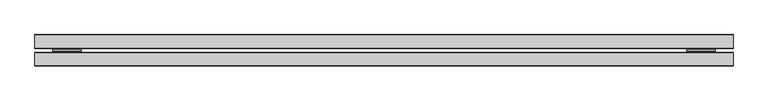
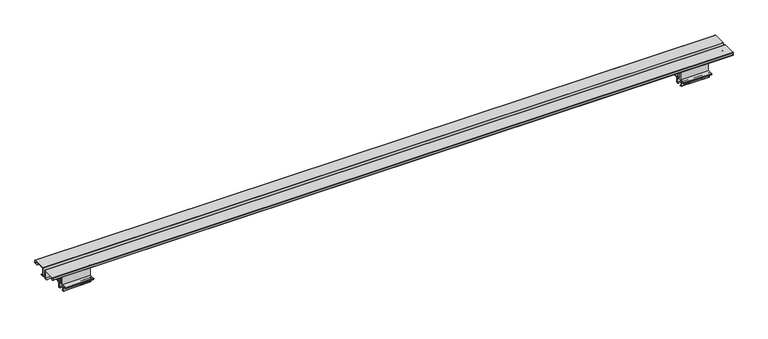
"""IFC4 building model written with IfcOpenShell, lengths in millimetres: furniture geometry."""

from ifc_helpers import new_model, si_unit, point, frame, frame_2d, origin, place, context, project, spatial, polyline, circle_curve, trimmed, segment, composite_curve, outline, extrude, source, transform, mapped, element, save
from ifc_brep_helpers import plane_surface, cylinder_surface, revolved_surface, advanced_brep


def furniture_3d7758b2(model_context):
    return source(origin(), model_context, "Body", "SolidModel", [
        extrude(outline(composite_curve([segment(polyline([(-46.1411741, 537.6671989), (-52.5216442, 537.6671989), (-52.5216442, 538.4545989), (-46.1411741, 538.4545989)]), True, "CONTINUOUS"), segment(trimmed(circle_curve(frame_2d((-46.1411741, 536.8086715)), 1.6459275), [point((-46.1411741, 538.4545989))], [point((-44.4952466, 536.8086715))], False, "CARTESIAN"), True, "CONTINUOUS"), segment(polyline([(-44.4952466, 536.8086715), (-44.4952466, 532.5826187), (-42.3108667, 527.8581667), (-42.3108667, 511.7084001), (-35.9226813, 511.7084001), (-35.9226813, 527.8581667), (-33.7383014, 532.5826187), (-33.7383014, 536.8086715)]), True, "CONTINUOUS"), segment(trimmed(circle_curve(frame_2d((-32.0923739, 536.8086715)), 1.6459275), [point((-33.7383014, 536.8086715))], [point((-32.0923739, 538.4545989))], False, "CARTESIAN"), True, "CONTINUOUS"), segment(polyline([(-32.0923739, 538.4545989), (-25.7119037, 538.4545989), (-25.7119037, 537.6671989), (-32.0923739, 537.6671989)]), True, "CONTINUOUS"), segment(trimmed(circle_curve(frame_2d((-32.0923739, 536.8086715)), 0.8585275), [point((-32.0923739, 537.6671989))], [point((-32.9509014, 536.8086715))], True, "CARTESIAN"), True, "CONTINUOUS"), segment(polyline([(-32.9509014, 536.8086715), (-32.9509014, 510.6923965), (-45.2826466, 510.6923965), (-45.2826466, 536.8086715)]), True, "CONTINUOUS"), segment(trimmed(circle_curve(frame_2d((-46.1411741, 536.8086715)), 0.8585275), [point((-45.2826466, 536.8086715))], [point((-46.1411741, 537.6671989))], True, "CARTESIAN"), True, "CONTINUOUS")], self_intersect=False)), frame((1565.1479964, 0.0, 0.0), z_axis=(1.0, 0.0, 0.0), x_axis=(0.0, 1.0, 0.0)), (0.0, 0.0, 1.0), 68.5800073),
        advanced_brep(
        [(1633.7280036, -43.8856479, 495.604798), (1633.7280036, -43.8856479, 496.392198), (1633.7280036, -47.4162484, 496.392198), (1633.7280036, -47.4162484, 504.3861433), (1633.7280036, -48.2566383, 505.8417378), (1633.7280036, -49.1307467, 506.3464021), (1633.7280036, -49.1307467, 508.3322048), (1633.7280036, -50.5257409, 509.7271989), (1633.7280036, -56.9931108, 509.7271989), (1633.7280036, -57.8998062, 508.9108068), (1633.7280036, -58.5922468, 509.8997145), (1633.7280036, -58.5922468, 510.6923965), (1633.7280036, -19.6540457, 510.6923965), (1633.7280036, -19.6540457, 509.8815135), (1633.7280036, -20.3337418, 508.9108068), (1633.7280036, -21.2404371, 509.7271989), (1633.7280036, -27.8273525, 509.7271989), (1633.7280036, -29.1155469, 508.4390045), (1633.7280036, -29.1155469, 506.3464021), (1633.7280036, -30.0322406, 505.8171513), (1633.7280036, -30.8300452, 504.4353165), (1633.7280036, -30.8300452, 496.392198), (1633.7280036, -34.3606457, 496.392198), (1633.7280036, -34.3606457, 495.604798), (1633.7280036, -30.560857, 495.604798), (1633.7280036, -30.0426452, 496.1230098), (1633.7280036, -30.0426452, 504.4353165), (1633.7280036, -29.6385421, 505.135242), (1633.7280036, -28.7038003, 505.6749128), (1633.7280036, -28.3281469, 506.3255621), (1633.7280036, -28.3281469, 508.4390045), (1633.7280036, -27.8273525, 508.9397989), (1633.7280036, -21.5426917, 508.9397989), (1633.7280036, -20.7678586, 508.2421361), (1633.7280036, -19.8407122, 508.2421361), (1633.7280036, -18.8666457, 509.6332472), (1633.7280036, -18.8666457, 510.9805121), (1633.7280036, -19.36593, 511.4797965), (1633.7280036, -58.8676179, 511.4797965), (1633.7280036, -59.3796468, 510.9677676), (1633.7280036, -59.3796468, 509.6514482), (1633.7280036, -58.3928358, 508.2421361), (1633.7280036, -57.4656894, 508.2421361), (1633.7280036, -56.6908563, 508.9397989), (1633.7280036, -50.5257409, 508.9397989), (1633.7280036, -49.9181467, 508.3322048), (1633.7280036, -49.9181467, 506.3641546), (1633.7280036, -49.5090711, 505.6556166), (1633.7280036, -48.6503368, 505.1598285), (1633.7280036, -48.2036484, 504.3861433), (1633.7280036, -48.2036484, 495.9857976), (1633.7280036, -47.672691, 495.604798), (1565.1479964, -43.8856479, 495.604798), (1565.1479964, -47.672691, 495.604798), (1565.1479964, -48.1909027, 496.1230098), (1565.1479964, -48.2036484, 504.3861433), (1565.1479964, -48.6503368, 505.1598285), (1565.1479964, -49.5090711, 505.6556166), (1565.1479964, -49.9181467, 506.3641546), (1565.1479964, -49.9181467, 508.3322048), (1565.1479964, -50.5257409, 508.9397989), (1565.1479964, -56.6908563, 508.9397989), (1565.1479964, -57.4656894, 508.2421361), (1565.1479964, -58.3928358, 508.2421361), (1565.1479964, -59.3796468, 509.6514482), (1565.1479964, -59.3796468, 510.9677676), (1565.1479964, -58.8676179, 511.4797965), (1565.1479964, -19.36593, 511.4797965), (1565.1479964, -18.8666457, 510.9805121), (1565.1479964, -18.8666457, 509.6332472), (1565.1479964, -19.8407122, 508.2421361), (1565.1479964, -20.7678586, 508.2421361), (1565.1479964, -21.5426917, 508.9397989), (1565.1479964, -27.8273525, 508.9397989), (1565.1479964, -28.3281469, 508.4390045), (1565.1479964, -28.3281469, 506.3255621), (1565.1479964, -28.7038003, 505.6749128), (1565.1479964, -29.6385421, 505.135242), (1565.1479964, -30.0426452, 504.4353165), (1565.1479964, -30.0426452, 496.1230098), (1565.1479964, -30.560857, 495.604798), (1565.1479964, -34.3606457, 495.604798), (1565.1479964, -34.3606457, 496.392198), (1565.1479964, -30.8300452, 496.392198), (1565.1479964, -30.8300452, 504.4353165), (1565.1479964, -30.0322406, 505.8171513), (1565.1479964, -29.1155469, 506.3464021), (1565.1479964, -29.1155469, 508.4390045), (1565.1479964, -27.8273525, 509.7271989), (1565.1479964, -21.2404371, 509.7271989), (1565.1479964, -20.3337418, 508.9108068), (1565.1479964, -19.6540457, 509.8815135), (1565.1479964, -19.6540457, 510.6923965), (1565.1479964, -58.5922468, 510.6923965), (1565.1479964, -58.5922468, 509.8997145), (1565.1479964, -57.8998062, 508.9108068), (1565.1479964, -56.9931108, 509.7271989), (1565.1479964, -50.5257409, 509.7271989), (1565.1479964, -49.1307467, 508.3322048), (1565.1479964, -49.1307467, 506.3464021), (1565.1479964, -48.2566383, 505.8417378), (1565.1479964, -47.4162484, 504.3861433), (1565.1479964, -47.4162484, 496.392198), (1565.1479964, -43.8856479, 496.392198)],
        [
            (0, 1),
            (1, 2),
            (2, 3),
            (3, 4, circle_curve(frame((1633.7280036, -49.097022, 504.3861433), z_axis=(1.0, 0.0, 0.0), x_axis=(0.0, 1.0, 0.0)), 1.6807736)),
            (4, 5),
            (5, 6),
            (6, 7, circle_curve(frame((1633.7280036, -50.5257409, 508.3322048), z_axis=(1.0, 0.0, 0.0), x_axis=(0.0, 1.0, 0.0)), 1.3949941)),
            (7, 8),
            (8, 9),
            (9, 10),
            (10, 11),
            (11, 12),
            (12, 13),
            (13, 14),
            (14, 15),
            (15, 16),
            (16, 17, circle_curve(frame((1633.7280036, -27.8273525, 508.4390045), z_axis=(1.0, 0.0, 0.0), x_axis=(0.0, 1.0, 0.0)), 1.2881944)),
            (17, 18),
            (18, 19),
            (19, 20, circle_curve(frame((1633.7280036, -29.2344419, 504.4353165), z_axis=(1.0, 0.0, 0.0), x_axis=(0.0, 1.0, 0.0)), 1.5956034)),
            (20, 21),
            (21, 22),
            (22, 23),
            (23, 24),
            (24, 25, circle_curve(frame((1633.7280036, -30.560857, 496.1230098), z_axis=(1.0, 0.0, 0.0), x_axis=(0.0, 1.0, 0.0)), 0.5182118)),
            (25, 26),
            (26, 27, circle_curve(frame((1633.7280036, -29.2344419, 504.4353165), z_axis=(-1.0, 0.0, 0.0), x_axis=(0.0, 1.0, 0.0)), 0.8082034)),
            (27, 28),
            (28, 29, circle_curve(frame((1633.7280036, -29.079451, 506.3255621), z_axis=(1.0, 0.0, 0.0), x_axis=(0.0, 1.0, 0.0)), 0.7513042)),
            (29, 30),
            (30, 31, circle_curve(frame((1633.7280036, -27.8273525, 508.4390045), z_axis=(-1.0, 0.0, 0.0), x_axis=(0.0, 1.0, 0.0)), 0.5007944)),
            (31, 32),
            (32, 33),
            (33, 34),
            (34, 35),
            (35, 36),
            (36, 37, circle_curve(frame((1633.7280036, -19.36593, 510.9805121), z_axis=(1.0, 0.0, 0.0), x_axis=(0.0, 1.0, 0.0)), 0.4992844)),
            (37, 38),
            (38, 39, circle_curve(frame((1633.7280036, -58.8676179, 510.9677676), z_axis=(1.0, 0.0, 0.0), x_axis=(0.0, 1.0, 0.0)), 0.5120288)),
            (39, 40),
            (40, 41),
            (41, 42),
            (42, 43),
            (43, 44),
            (44, 45, circle_curve(frame((1633.7280036, -50.5257409, 508.3322048), z_axis=(-1.0, 0.0, 0.0), x_axis=(0.0, 1.0, 0.0)), 0.6075941)),
            (45, 46),
            (46, 47, circle_curve(frame((1633.7280036, -49.0999985, 506.3641546), z_axis=(1.0, 0.0, 0.0), x_axis=(0.0, 1.0, 0.0)), 0.8181482)),
            (47, 48),
            (48, 49, circle_curve(frame((1633.7280036, -49.097022, 504.3861433), z_axis=(-1.0, 0.0, 0.0), x_axis=(0.0, 1.0, 0.0)), 0.8933736)),
            (49, 50),
            (50, 51, circle_curve(frame((1633.7280036, -47.672691, 496.1230098), z_axis=(1.0, 0.0, 0.0), x_axis=(0.0, 1.0, 0.0)), 0.5182118)),
            (51, 0),
            (52, 53),
            (53, 54, circle_curve(frame((1565.1479964, -47.672691, 496.1230098), z_axis=(-1.0, 0.0, 0.0), x_axis=(0.0, 1.0, 0.0)), 0.5182118)),
            (54, 55),
            (55, 56, circle_curve(frame((1565.1479964, -49.097022, 504.3861433), z_axis=(1.0, 0.0, 0.0), x_axis=(0.0, 1.0, 0.0)), 0.8933736)),
            (56, 57),
            (57, 58, circle_curve(frame((1565.1479964, -49.0999985, 506.3641546), z_axis=(-1.0, 0.0, 0.0), x_axis=(0.0, 1.0, 0.0)), 0.8181482)),
            (58, 59),
            (59, 60, circle_curve(frame((1565.1479964, -50.5257409, 508.3322048), z_axis=(1.0, 0.0, 0.0), x_axis=(0.0, 1.0, 0.0)), 0.6075941)),
            (60, 61),
            (61, 62),
            (62, 63),
            (63, 64),
            (64, 65),
            (65, 66, circle_curve(frame((1565.1479964, -58.8676179, 510.9677676), z_axis=(-1.0, 0.0, 0.0), x_axis=(0.0, 1.0, 0.0)), 0.5120288)),
            (66, 67),
            (67, 68, circle_curve(frame((1565.1479964, -19.36593, 510.9805121), z_axis=(-1.0, 0.0, 0.0), x_axis=(0.0, 1.0, 0.0)), 0.4992844)),
            (68, 69),
            (69, 70),
            (70, 71),
            (71, 72),
            (72, 73),
            (73, 74, circle_curve(frame((1565.1479964, -27.8273525, 508.4390045), z_axis=(1.0, 0.0, 0.0), x_axis=(0.0, 1.0, 0.0)), 0.5007944)),
            (74, 75),
            (75, 76, circle_curve(frame((1565.1479964, -29.079451, 506.3255621), z_axis=(-1.0, 0.0, 0.0), x_axis=(0.0, 1.0, 0.0)), 0.7513042)),
            (76, 77),
            (77, 78, circle_curve(frame((1565.1479964, -29.2344419, 504.4353165), z_axis=(1.0, 0.0, 0.0), x_axis=(0.0, 1.0, 0.0)), 0.8082034)),
            (78, 79),
            (79, 80, circle_curve(frame((1565.1479964, -30.560857, 496.1230098), z_axis=(-1.0, 0.0, 0.0), x_axis=(0.0, 1.0, 0.0)), 0.5182118)),
            (80, 81),
            (81, 82),
            (82, 83),
            (83, 84),
            (84, 85, circle_curve(frame((1565.1479964, -29.2344419, 504.4353165), z_axis=(-1.0, 0.0, 0.0), x_axis=(0.0, 1.0, 0.0)), 1.5956034)),
            (85, 86),
            (86, 87),
            (87, 88, circle_curve(frame((1565.1479964, -27.8273525, 508.4390045), z_axis=(-1.0, 0.0, 0.0), x_axis=(0.0, 1.0, 0.0)), 1.2881944)),
            (88, 89),
            (89, 90),
            (90, 91),
            (91, 92),
            (92, 93),
            (93, 94),
            (94, 95),
            (95, 96),
            (96, 97),
            (97, 98, circle_curve(frame((1565.1479964, -50.5257409, 508.3322048), z_axis=(-1.0, 0.0, 0.0), x_axis=(0.0, 1.0, 0.0)), 1.3949941)),
            (98, 99),
            (99, 100),
            (100, 101, circle_curve(frame((1565.1479964, -49.097022, 504.3861433), z_axis=(-1.0, 0.0, 0.0), x_axis=(0.0, 1.0, 0.0)), 1.6807736)),
            (101, 102),
            (102, 103),
            (103, 52),
            (51, 53),
            (52, 0),
            (50, 54),
            (49, 55),
            (48, 56),
            (47, 57),
            (46, 58),
            (45, 59),
            (44, 60),
            (43, 61),
            (42, 62),
            (41, 63),
            (40, 64),
            (39, 65),
            (38, 66),
            (37, 67),
            (36, 68),
            (35, 69),
            (34, 70),
            (33, 71),
            (32, 72),
            (31, 73),
            (30, 74),
            (29, 75),
            (28, 76),
            (27, 77),
            (26, 78),
            (25, 79),
            (24, 80),
            (23, 81),
            (22, 82),
            (21, 83),
            (20, 84),
            (19, 85),
            (18, 86),
            (17, 87),
            (16, 88),
            (15, 89),
            (14, 90),
            (13, 91),
            (12, 92),
            (11, 93),
            (10, 94),
            (9, 95),
            (8, 96),
            (7, 97),
            (6, 98),
            (5, 99),
            (4, 100),
            (3, 101),
            (2, 102),
            (1, 103),
        ],
        [
            plane_surface(frame((1633.7280036, -39.1358447, 473.17659), z_axis=(1.0, 0.0, 0.0), x_axis=(0.0, 0.0, 1.0))),
            plane_surface(frame((1565.1479964, -39.1358447, 473.17659), z_axis=(-1.0, 0.0, 0.0), x_axis=(0.0, 0.0, 1.0))),
            plane_surface(frame((1633.7280036, -43.8856479, 495.604798), z_axis=(0.0, 0.0, -1.0), x_axis=(-1.0, 0.0, 0.0))),
            cylinder_surface(frame((1633.7280036, -47.672691, 496.1230098), z_axis=(1.0, 0.0, 0.0), x_axis=(0.0, 1.0, 0.0)), 0.5182118),
            plane_surface(frame((1633.7280036, -48.2036484, 495.9857976), z_axis=(0.0, -1.0, 0.0), x_axis=(-1.0, 0.0, 0.0))),
            revolved_surface(polyline([(1565.1479964, -48.203648400000006, 504.3861433), (1633.7280036, -48.203648400000006, 504.3861433)]), (1633.7280036, -49.097022, 504.3861433), (-1.0, 0.0, 0.0)),
            plane_surface(frame((1633.7280036, -48.6503368, 505.1598285), z_axis=(0.0, -0.49999817066287033, -0.8660264599501468), x_axis=(-1.0, 0.0, 0.0))),
            cylinder_surface(frame((1633.7280036, -49.0999985, 506.3641546), z_axis=(1.0, 0.0, 0.0), x_axis=(0.0, 1.0, 0.0)), 0.8181482),
            plane_surface(frame((1633.7280036, -49.9181467, 506.3641546), z_axis=(0.0, -1.0, 0.0), x_axis=(-1.0, 0.0, 0.0))),
            revolved_surface(polyline([(1565.1479964, -49.9181468, 508.3322048), (1633.7280036, -49.9181468, 508.3322048)]), (1633.7280036, -50.5257409, 508.3322048), (-1.0, 0.0, 0.0)),
            plane_surface(frame((1633.7280036, -50.5257409, 508.9397989), z_axis=(0.0, 0.0, -1.0), x_axis=(-1.0, 0.0, 0.0))),
            plane_surface(frame((1633.7280036, -56.6908563, 508.9397989), z_axis=(0.0, 0.6691306063588597, -0.743144825477393), x_axis=(-1.0, 0.0, 0.0))),
            plane_surface(frame((1633.7280036, -57.4656894, 508.2421361), z_axis=(0.0, 0.0, -1.0), x_axis=(-1.0, 0.0, 0.0))),
            plane_surface(frame((1633.7280036, -58.3928358, 508.2421361), z_axis=(0.0, -0.8191520442889919, -0.5735764363510462), x_axis=(-1.0, 0.0, 0.0))),
            plane_surface(frame((1633.7280036, -59.3796468, 509.6514482), z_axis=(0.0, -1.0, 0.0), x_axis=(-1.0, 0.0, 0.0))),
            cylinder_surface(frame((1633.7280036, -58.8676179, 510.9677676), z_axis=(1.0, 0.0, 0.0), x_axis=(0.0, 1.0, 0.0)), 0.5120288),
            plane_surface(frame((1633.7280036, -58.8676179, 511.4797965), z_axis=(0.0, 0.0, 1.0), x_axis=(-1.0, 0.0, 0.0))),
            cylinder_surface(frame((1633.7280036, -19.36593, 510.9805121), z_axis=(1.0, 0.0, 0.0), x_axis=(0.0, 1.0, 0.0)), 0.4992844),
            plane_surface(frame((1633.7280036, -18.8666457, 510.9805121), z_axis=(0.0, 1.0, 0.0), x_axis=(-1.0, 0.0, 0.0))),
            plane_surface(frame((1633.7280036, -18.8666457, 509.6332472), z_axis=(0.0, 0.8191520442889919, -0.5735764363510462), x_axis=(-1.0, 0.0, 0.0))),
            plane_surface(frame((1633.7280036, -19.8407122, 508.2421361), z_axis=(0.0, 0.0, -1.0), x_axis=(-1.0, 0.0, 0.0))),
            plane_surface(frame((1633.7280036, -20.7678586, 508.2421361), z_axis=(0.0, -0.6691306063588597, -0.743144825477393), x_axis=(-1.0, 0.0, 0.0))),
            plane_surface(frame((1633.7280036, -21.5426917, 508.9397989), z_axis=(0.0, 0.0, -1.0), x_axis=(-1.0, 0.0, 0.0))),
            revolved_surface(polyline([(1565.1479964, -27.3265581, 508.4390045), (1633.7280036, -27.3265581, 508.4390045)]), (1633.7280036, -27.8273525, 508.4390045), (-1.0, 0.0, 0.0)),
            plane_surface(frame((1633.7280036, -28.3281469, 508.4390045), z_axis=(0.0, 1.0, 0.0), x_axis=(-1.0, 0.0, 0.0))),
            cylinder_surface(frame((1633.7280036, -29.079451, 506.3255621), z_axis=(1.0, 0.0, 0.0), x_axis=(0.0, 1.0, 0.0)), 0.7513042),
            plane_surface(frame((1633.7280036, -28.7038003, 505.6749128), z_axis=(0.0, 0.49999817066287033, -0.8660264599501468), x_axis=(-1.0, 0.0, 0.0))),
            revolved_surface(polyline([(1565.1479964, -28.4262385, 504.4353165), (1633.7280036, -28.4262385, 504.4353165)]), (1633.7280036, -29.2344419, 504.4353165), (-1.0, 0.0, 0.0)),
            plane_surface(frame((1633.7280036, -30.0426452, 504.4353165), z_axis=(0.0, 1.0, 0.0), x_axis=(-1.0, 0.0, 0.0))),
            cylinder_surface(frame((1633.7280036, -30.560857, 496.1230098), z_axis=(1.0, 0.0, 0.0), x_axis=(0.0, 1.0, 0.0)), 0.5182118),
            plane_surface(frame((1633.7280036, -30.560857, 495.604798), z_axis=(0.0, 0.0, -1.0), x_axis=(-1.0, 0.0, 0.0))),
            plane_surface(frame((1633.7280036, -34.3606457, 495.604798), z_axis=(0.0, -1.0, 0.0), x_axis=(-1.0, 0.0, 0.0))),
            plane_surface(frame((1633.7280036, -34.3606457, 496.392198), z_axis=(0.0, 0.0, 1.0), x_axis=(-1.0, 0.0, 0.0))),
            plane_surface(frame((1633.7280036, -30.8300452, 496.392198), z_axis=(0.0, -1.0, 0.0), x_axis=(-1.0, 0.0, 0.0))),
            cylinder_surface(frame((1633.7280036, -29.2344419, 504.4353165), z_axis=(1.0, 0.0, 0.0), x_axis=(0.0, 1.0, 0.0)), 1.5956034),
            plane_surface(frame((1633.7280036, -30.0322406, 505.8171513), z_axis=(0.0, -0.4999981706628693, 0.8660264599501475), x_axis=(-1.0, 0.0, 0.0))),
            plane_surface(frame((1633.7280036, -29.1155469, 506.3464021), z_axis=(0.0, -1.0, 0.0), x_axis=(-1.0, 0.0, 0.0))),
            cylinder_surface(frame((1633.7280036, -27.8273525, 508.4390045), z_axis=(1.0, 0.0, 0.0), x_axis=(0.0, 1.0, 0.0)), 1.2881944),
            plane_surface(frame((1633.7280036, -27.8273525, 509.7271989), z_axis=(0.0, 0.0, 1.0), x_axis=(-1.0, 0.0, 0.0))),
            plane_surface(frame((1633.7280036, -21.2404371, 509.7271989), z_axis=(0.0, 0.6691306063588597, 0.743144825477393), x_axis=(-1.0, 0.0, 0.0))),
            plane_surface(frame((1633.7280036, -20.3337418, 508.9108068), z_axis=(0.0, -0.819152044288992, 0.5735764363510457), x_axis=(-1.0, 0.0, 0.0))),
            plane_surface(frame((1633.7280036, -19.6540457, 509.8815135), z_axis=(0.0, -1.0, 0.0), x_axis=(-1.0, 0.0, 0.0))),
            plane_surface(frame((1633.7280036, -19.6540457, 510.6923965), z_axis=(0.0, 0.0, -1.0), x_axis=(-1.0, 0.0, 0.0))),
            plane_surface(frame((1633.7280036, -58.5922468, 510.6923965), z_axis=(0.0, 1.0, 0.0), x_axis=(-1.0, 0.0, 0.0))),
            plane_surface(frame((1633.7280036, -58.5922468, 509.8997145), z_axis=(0.0, 0.8191520442889909, 0.5735764363510474), x_axis=(-1.0, 0.0, 0.0))),
            plane_surface(frame((1633.7280036, -57.8998062, 508.9108068), z_axis=(0.0, -0.6691306063588597, 0.743144825477393), x_axis=(-1.0, 0.0, 0.0))),
            plane_surface(frame((1633.7280036, -56.9931108, 509.7271989), z_axis=(0.0, 0.0, 1.0), x_axis=(-1.0, 0.0, 0.0))),
            cylinder_surface(frame((1633.7280036, -50.5257409, 508.3322048), z_axis=(1.0, 0.0, 0.0), x_axis=(0.0, 1.0, 0.0)), 1.3949941),
            plane_surface(frame((1633.7280036, -49.1307467, 508.3322048), z_axis=(0.0, 1.0, 0.0), x_axis=(-1.0, 0.0, 0.0))),
            plane_surface(frame((1633.7280036, -49.1307467, 506.3464021), z_axis=(0.0, 0.49999817066287294, 0.8660264599501454), x_axis=(-1.0, 0.0, 0.0))),
            cylinder_surface(frame((1633.7280036, -49.097022, 504.3861433), z_axis=(1.0, 0.0, 0.0), x_axis=(0.0, 1.0, 0.0)), 1.6807736),
            plane_surface(frame((1633.7280036, -47.4162484, 504.3861433), z_axis=(0.0, 1.0, 0.0), x_axis=(-1.0, 0.0, 0.0))),
            plane_surface(frame((1633.7280036, -47.4162484, 496.392198), z_axis=(0.0, 0.0, 1.0), x_axis=(-1.0, 0.0, 0.0))),
            plane_surface(frame((1633.7280036, -43.8856479, 496.392198), z_axis=(0.0, 1.0, 0.0), x_axis=(-1.0, 0.0, 0.0))),
        ],
        [
            (0, [[1, 2, 3, 4, 5, 6, 7, 8, 9, 10, 11, 12, 13, 14, 15, 16, 17, 18, 19, 20, 21, 22, 23, 24, 25, 26, 27, 28, 29, 30, 31, 32, 33, 34, 35, 36, 37, 38, 39, 40, 41, 42, 43, 44, 45, 46, 47, 48, 49, 50, 51, 52]]),
            (1, [[53, 54, 55, 56, 57, 58, 59, 60, 61, 62, 63, 64, 65, 66, 67, 68, 69, 70, 71, 72, 73, 74, 75, 76, 77, 78, 79, 80, 81, 82, 83, 84, 85, 86, 87, 88, 89, 90, 91, 92, 93, 94, 95, 96, 97, 98, 99, 100, 101, 102, 103, 104]]),
            (2, [[105, -53, 106, -52]]),
            (3, [[107, -54, -105, -51]]),
            (4, [[108, -55, -107, -50]]),
            (5, [[109, -56, -108, -49]]),
            (6, [[110, -57, -109, -48]]),
            (7, [[111, -58, -110, -47]]),
            (8, [[112, -59, -111, -46]]),
            (9, [[113, -60, -112, -45]]),
            (10, [[114, -61, -113, -44]]),
            (11, [[115, -62, -114, -43]]),
            (12, [[116, -63, -115, -42]]),
            (13, [[117, -64, -116, -41]]),
            (14, [[118, -65, -117, -40]]),
            (15, [[119, -66, -118, -39]]),
            (16, [[120, -67, -119, -38]]),
            (17, [[121, -68, -120, -37]]),
            (18, [[122, -69, -121, -36]]),
            (19, [[123, -70, -122, -35]]),
            (20, [[124, -71, -123, -34]]),
            (21, [[125, -72, -124, -33]]),
            (22, [[126, -73, -125, -32]]),
            (23, [[127, -74, -126, -31]]),
            (24, [[128, -75, -127, -30]]),
            (25, [[129, -76, -128, -29]]),
            (26, [[130, -77, -129, -28]]),
            (27, [[131, -78, -130, -27]]),
            (28, [[132, -79, -131, -26]]),
            (29, [[133, -80, -132, -25]]),
            (30, [[134, -81, -133, -24]]),
            (31, [[135, -82, -134, -23]]),
            (32, [[136, -83, -135, -22]]),
            (33, [[137, -84, -136, -21]]),
            (34, [[138, -85, -137, -20]]),
            (35, [[139, -86, -138, -19]]),
            (36, [[140, -87, -139, -18]]),
            (37, [[141, -88, -140, -17]]),
            (38, [[142, -89, -141, -16]]),
            (39, [[143, -90, -142, -15]]),
            (40, [[144, -91, -143, -14]]),
            (41, [[145, -92, -144, -13]]),
            (42, [[146, -93, -145, -12]]),
            (43, [[147, -94, -146, -11]]),
            (44, [[148, -95, -147, -10]]),
            (45, [[149, -96, -148, -9]]),
            (46, [[150, -97, -149, -8]]),
            (47, [[151, -98, -150, -7]]),
            (48, [[152, -99, -151, -6]]),
            (49, [[153, -100, -152, -5]]),
            (50, [[154, -101, -153, -4]]),
            (51, [[155, -102, -154, -3]]),
            (52, [[156, -103, -155, -2]]),
            (53, [[-106, -104, -156, -1]]),
        ],
    ),
        extrude(outline(composite_curve([segment(polyline([(-46.1411741, 537.6671989), (-52.5216442, 537.6671989), (-52.5216442, 538.4545989), (-46.1411741, 538.4545989)]), True, "CONTINUOUS"), segment(trimmed(circle_curve(frame_2d((-46.1411741, 536.8086715)), 1.6459275), [point((-46.1411741, 538.4545989))], [point((-44.4952466, 536.8086715))], False, "CARTESIAN"), True, "CONTINUOUS"), segment(polyline([(-44.4952466, 536.8086715), (-44.4952466, 532.5826187), (-42.3108667, 527.8581667), (-42.3108667, 511.7084001), (-35.9226813, 511.7084001), (-35.9226813, 527.8581667), (-33.7383014, 532.5826187), (-33.7383014, 536.8086715)]), True, "CONTINUOUS"), segment(trimmed(circle_curve(frame_2d((-32.0923739, 536.8086715)), 1.6459275), [point((-33.7383014, 536.8086715))], [point((-32.0923739, 538.4545989))], False, "CARTESIAN"), True, "CONTINUOUS"), segment(polyline([(-32.0923739, 538.4545989), (-25.7119037, 538.4545989), (-25.7119037, 537.6671989), (-32.0923739, 537.6671989)]), True, "CONTINUOUS"), segment(trimmed(circle_curve(frame_2d((-32.0923739, 536.8086715)), 0.8585275), [point((-32.0923739, 537.6671989))], [point((-32.9509014, 536.8086715))], True, "CARTESIAN"), True, "CONTINUOUS"), segment(polyline([(-32.9509014, 536.8086715), (-32.9509014, 510.6923965), (-45.2826466, 510.6923965), (-45.2826466, 536.8086715)]), True, "CONTINUOUS"), segment(trimmed(circle_curve(frame_2d((-46.1411741, 536.8086715)), 0.8585275), [point((-45.2826466, 536.8086715))], [point((-46.1411741, 537.6671989))], True, "CARTESIAN"), True, "CONTINUOUS")], self_intersect=False)), frame((42.6719964, 0.0, 0.0), z_axis=(1.0, 0.0, 0.0), x_axis=(0.0, 1.0, 0.0)), (0.0, 0.0, 1.0), 68.5800073),
        advanced_brep(
        [(42.6719964, -43.8856479, 495.604798), (42.6719964, -47.672691, 495.604798), (42.6719964, -48.1909027, 496.1230098), (42.6719964, -48.2036484, 504.3861433), (42.6719964, -48.6503368, 505.1598285), (42.6719964, -49.5090711, 505.6556166), (42.6719964, -49.9181467, 506.3641546), (42.6719964, -49.9181467, 508.3322048), (42.6719964, -50.5257409, 508.9397989), (42.6719964, -56.6908563, 508.9397989), (42.6719964, -57.4656894, 508.2421361), (42.6719964, -58.3928358, 508.2421361), (42.6719964, -59.3796468, 509.6514482), (42.6719964, -59.3796468, 510.9677676), (42.6719964, -58.8676179, 511.4797965), (42.6719964, -19.36593, 511.4797965), (42.6719964, -18.8666457, 510.9805121), (42.6719964, -18.8666457, 509.6332472), (42.6719964, -19.8407122, 508.2421361), (42.6719964, -20.7678586, 508.2421361), (42.6719964, -21.5426917, 508.9397989), (42.6719964, -27.8273525, 508.9397989), (42.6719964, -28.3281469, 508.4390045), (42.6719964, -28.3281469, 506.3255621), (42.6719964, -28.7038003, 505.6749128), (42.6719964, -29.6385421, 505.135242), (42.6719964, -30.0426452, 504.4353165), (42.6719964, -30.0426452, 496.1230098), (42.6719964, -30.560857, 495.604798), (42.6719964, -34.3606457, 495.604798), (42.6719964, -34.3606457, 496.392198), (42.6719964, -30.8300452, 496.392198), (42.6719964, -30.8300452, 504.4353165), (42.6719964, -30.0322406, 505.8171513), (42.6719964, -29.1155469, 506.3464021), (42.6719964, -29.1155469, 508.4390045), (42.6719964, -27.8273525, 509.7271989), (42.6719964, -21.2404371, 509.7271989), (42.6719964, -20.3337418, 508.9108068), (42.6719964, -19.6540457, 509.8815135), (42.6719964, -19.6540457, 510.6923965), (42.6719964, -58.5922468, 510.6923965), (42.6719964, -58.5922468, 509.8997145), (42.6719964, -57.8998062, 508.9108068), (42.6719964, -56.9931108, 509.7271989), (42.6719964, -50.5257409, 509.7271989), (42.6719964, -49.1307467, 508.3322048), (42.6719964, -49.1307467, 506.3464021), (42.6719964, -48.2566383, 505.8417378), (42.6719964, -47.4162484, 504.3861433), (42.6719964, -47.4162484, 496.392198), (42.6719964, -43.8856479, 496.392198), (111.2520036, -43.8856479, 495.604798), (111.2520036, -43.8856479, 496.392198), (111.2520036, -47.4162484, 496.392198), (111.2520036, -47.4162484, 504.3861433), (111.2520036, -48.2566383, 505.8417378), (111.2520036, -49.1307467, 506.3464021), (111.2520036, -49.1307467, 508.3322048), (111.2520036, -50.5257409, 509.7271989), (111.2520036, -56.9931108, 509.7271989), (111.2520036, -57.8998062, 508.9108068), (111.2520036, -58.5922468, 509.8997145), (111.2520036, -58.5922468, 510.6923965), (111.2520036, -19.6540457, 510.6923965), (111.2520036, -19.6540457, 509.8815135), (111.2520036, -20.3337418, 508.9108068), (111.2520036, -21.2404371, 509.7271989), (111.2520036, -27.8273525, 509.7271989), (111.2520036, -29.1155469, 508.4390045), (111.2520036, -29.1155469, 506.3464021), (111.2520036, -30.0322406, 505.8171513), (111.2520036, -30.8300452, 504.4353165), (111.2520036, -30.8300452, 496.392198), (111.2520036, -34.3606457, 496.392198), (111.2520036, -34.3606457, 495.604798), (111.2520036, -30.560857, 495.604798), (111.2520036, -30.0426452, 496.1230098), (111.2520036, -30.0426452, 504.4353165), (111.2520036, -29.6385421, 505.135242), (111.2520036, -28.7038003, 505.6749128), (111.2520036, -28.3281469, 506.3255621), (111.2520036, -28.3281469, 508.4390045), (111.2520036, -27.8273525, 508.9397989), (111.2520036, -21.5426917, 508.9397989), (111.2520036, -20.7678586, 508.2421361), (111.2520036, -19.8407122, 508.2421361), (111.2520036, -18.8666457, 509.6332472), (111.2520036, -18.8666457, 510.9805121), (111.2520036, -19.36593, 511.4797965), (111.2520036, -58.8676179, 511.4797965), (111.2520036, -59.3796468, 510.9677676), (111.2520036, -59.3796468, 509.6514482), (111.2520036, -58.3928358, 508.2421361), (111.2520036, -57.4656894, 508.2421361), (111.2520036, -56.6908563, 508.9397989), (111.2520036, -50.5257409, 508.9397989), (111.2520036, -49.9181467, 508.3322048), (111.2520036, -49.9181467, 506.3641546), (111.2520036, -49.5090711, 505.6556166), (111.2520036, -48.6503368, 505.1598285), (111.2520036, -48.2036484, 504.3861433), (111.2520036, -48.2036484, 495.9857976), (111.2520036, -47.672691, 495.604798)],
        [
            (0, 1),
            (1, 2, circle_curve(frame((42.6719964, -47.672691, 496.1230098), z_axis=(-1.0, 0.0, 0.0), x_axis=(0.0, 1.0, 0.0)), 0.5182118)),
            (2, 3),
            (3, 4, circle_curve(frame((42.6719964, -49.097022, 504.3861433), z_axis=(1.0, 0.0, 0.0), x_axis=(0.0, 1.0, 0.0)), 0.8933736)),
            (4, 5),
            (5, 6, circle_curve(frame((42.6719964, -49.0999985, 506.3641546), z_axis=(-1.0, 0.0, 0.0), x_axis=(0.0, 1.0, 0.0)), 0.8181482)),
            (6, 7),
            (7, 8, circle_curve(frame((42.6719964, -50.5257409, 508.3322048), z_axis=(1.0, 0.0, 0.0), x_axis=(0.0, 1.0, 0.0)), 0.6075941)),
            (8, 9),
            (9, 10),
            (10, 11),
            (11, 12),
            (12, 13),
            (13, 14, circle_curve(frame((42.6719964, -58.8676179, 510.9677676), z_axis=(-1.0, 0.0, 0.0), x_axis=(0.0, 1.0, 0.0)), 0.5120288)),
            (14, 15),
            (15, 16, circle_curve(frame((42.6719964, -19.36593, 510.9805121), z_axis=(-1.0, 0.0, 0.0), x_axis=(0.0, 1.0, 0.0)), 0.4992844)),
            (16, 17),
            (17, 18),
            (18, 19),
            (19, 20),
            (20, 21),
            (21, 22, circle_curve(frame((42.6719964, -27.8273525, 508.4390045), z_axis=(1.0, 0.0, 0.0), x_axis=(0.0, 1.0, 0.0)), 0.5007944)),
            (22, 23),
            (23, 24, circle_curve(frame((42.6719964, -29.079451, 506.3255621), z_axis=(-1.0, 0.0, 0.0), x_axis=(0.0, 1.0, 0.0)), 0.7513042)),
            (24, 25),
            (25, 26, circle_curve(frame((42.6719964, -29.2344419, 504.4353165), z_axis=(1.0, 0.0, 0.0), x_axis=(0.0, 1.0, 0.0)), 0.8082034)),
            (26, 27),
            (27, 28, circle_curve(frame((42.6719964, -30.560857, 496.1230098), z_axis=(-1.0, 0.0, 0.0), x_axis=(0.0, 1.0, 0.0)), 0.5182118)),
            (28, 29),
            (29, 30),
            (30, 31),
            (31, 32),
            (32, 33, circle_curve(frame((42.6719964, -29.2344419, 504.4353165), z_axis=(-1.0, 0.0, 0.0), x_axis=(0.0, 1.0, 0.0)), 1.5956034)),
            (33, 34),
            (34, 35),
            (35, 36, circle_curve(frame((42.6719964, -27.8273525, 508.4390045), z_axis=(-1.0, 0.0, 0.0), x_axis=(0.0, 1.0, 0.0)), 1.2881944)),
            (36, 37),
            (37, 38),
            (38, 39),
            (39, 40),
            (40, 41),
            (41, 42),
            (42, 43),
            (43, 44),
            (44, 45),
            (45, 46, circle_curve(frame((42.6719964, -50.5257409, 508.3322048), z_axis=(-1.0, 0.0, 0.0), x_axis=(0.0, 1.0, 0.0)), 1.3949941)),
            (46, 47),
            (47, 48),
            (48, 49, circle_curve(frame((42.6719964, -49.097022, 504.3861433), z_axis=(-1.0, 0.0, 0.0), x_axis=(0.0, 1.0, 0.0)), 1.6807736)),
            (49, 50),
            (50, 51),
            (51, 0),
            (52, 53),
            (53, 54),
            (54, 55),
            (55, 56, circle_curve(frame((111.2520036, -49.097022, 504.3861433), z_axis=(1.0, 0.0, 0.0), x_axis=(0.0, 1.0, 0.0)), 1.6807736)),
            (56, 57),
            (57, 58),
            (58, 59, circle_curve(frame((111.2520036, -50.5257409, 508.3322048), z_axis=(1.0, 0.0, 0.0), x_axis=(0.0, 1.0, 0.0)), 1.3949941)),
            (59, 60),
            (60, 61),
            (61, 62),
            (62, 63),
            (63, 64),
            (64, 65),
            (65, 66),
            (66, 67),
            (67, 68),
            (68, 69, circle_curve(frame((111.2520036, -27.8273525, 508.4390045), z_axis=(1.0, 0.0, 0.0), x_axis=(0.0, 1.0, 0.0)), 1.2881944)),
            (69, 70),
            (70, 71),
            (71, 72, circle_curve(frame((111.2520036, -29.2344419, 504.4353165), z_axis=(1.0, 0.0, 0.0), x_axis=(0.0, 1.0, 0.0)), 1.5956034)),
            (72, 73),
            (73, 74),
            (74, 75),
            (75, 76),
            (76, 77, circle_curve(frame((111.2520036, -30.560857, 496.1230098), z_axis=(1.0, 0.0, 0.0), x_axis=(0.0, 1.0, 0.0)), 0.5182118)),
            (77, 78),
            (78, 79, circle_curve(frame((111.2520036, -29.2344419, 504.4353165), z_axis=(-1.0, 0.0, 0.0), x_axis=(0.0, 1.0, 0.0)), 0.8082034)),
            (79, 80),
            (80, 81, circle_curve(frame((111.2520036, -29.079451, 506.3255621), z_axis=(1.0, 0.0, 0.0), x_axis=(0.0, 1.0, 0.0)), 0.7513042)),
            (81, 82),
            (82, 83, circle_curve(frame((111.2520036, -27.8273525, 508.4390045), z_axis=(-1.0, 0.0, 0.0), x_axis=(0.0, 1.0, 0.0)), 0.5007944)),
            (83, 84),
            (84, 85),
            (85, 86),
            (86, 87),
            (87, 88),
            (88, 89, circle_curve(frame((111.2520036, -19.36593, 510.9805121), z_axis=(1.0, 0.0, 0.0), x_axis=(0.0, 1.0, 0.0)), 0.4992844)),
            (89, 90),
            (90, 91, circle_curve(frame((111.2520036, -58.8676179, 510.9677676), z_axis=(1.0, 0.0, 0.0), x_axis=(0.0, 1.0, 0.0)), 0.5120288)),
            (91, 92),
            (92, 93),
            (93, 94),
            (94, 95),
            (95, 96),
            (96, 97, circle_curve(frame((111.2520036, -50.5257409, 508.3322048), z_axis=(-1.0, 0.0, 0.0), x_axis=(0.0, 1.0, 0.0)), 0.6075941)),
            (97, 98),
            (98, 99, circle_curve(frame((111.2520036, -49.0999985, 506.3641546), z_axis=(1.0, 0.0, 0.0), x_axis=(0.0, 1.0, 0.0)), 0.8181482)),
            (99, 100),
            (100, 101, circle_curve(frame((111.2520036, -49.097022, 504.3861433), z_axis=(-1.0, 0.0, 0.0), x_axis=(0.0, 1.0, 0.0)), 0.8933736)),
            (101, 102),
            (102, 103, circle_curve(frame((111.2520036, -47.672691, 496.1230098), z_axis=(1.0, 0.0, 0.0), x_axis=(0.0, 1.0, 0.0)), 0.5182118)),
            (103, 52),
            (0, 52),
            (103, 1),
            (102, 2),
            (101, 3),
            (100, 4),
            (99, 5),
            (98, 6),
            (97, 7),
            (96, 8),
            (95, 9),
            (94, 10),
            (93, 11),
            (92, 12),
            (91, 13),
            (90, 14),
            (89, 15),
            (88, 16),
            (87, 17),
            (86, 18),
            (85, 19),
            (84, 20),
            (83, 21),
            (82, 22),
            (81, 23),
            (80, 24),
            (79, 25),
            (78, 26),
            (77, 27),
            (76, 28),
            (75, 29),
            (74, 30),
            (73, 31),
            (72, 32),
            (71, 33),
            (70, 34),
            (69, 35),
            (68, 36),
            (67, 37),
            (66, 38),
            (65, 39),
            (64, 40),
            (63, 41),
            (62, 42),
            (61, 43),
            (60, 44),
            (59, 45),
            (58, 46),
            (57, 47),
            (56, 48),
            (55, 49),
            (54, 50),
            (53, 51),
        ],
        [
            plane_surface(frame((42.6719964, -39.1358447, 473.17659), z_axis=(-1.0, 0.0, 0.0), x_axis=(0.0, 0.0, 1.0))),
            plane_surface(frame((111.2520036, -39.1358447, 473.17659), z_axis=(1.0, 0.0, 0.0), x_axis=(0.0, 0.0, 1.0))),
            plane_surface(frame((42.6719964, -43.8856479, 495.604798), z_axis=(0.0, 0.0, -1.0), x_axis=(1.0, 0.0, 0.0))),
            cylinder_surface(frame((42.6719964, -47.672691, 496.1230098), z_axis=(-1.0, 0.0, 0.0), x_axis=(0.0, 1.0, 0.0)), 0.5182118),
            plane_surface(frame((42.6719964, -48.2036484, 495.9857976), z_axis=(0.0, -1.0, 0.0), x_axis=(1.0, 0.0, 0.0))),
            revolved_surface(polyline([(111.2520036, -48.203648400000006, 504.3861433), (42.6719964, -48.203648400000006, 504.3861433)]), (42.6719964, -49.097022, 504.3861433), (1.0, 0.0, 0.0)),
            plane_surface(frame((42.6719964, -48.6503368, 505.1598285), z_axis=(0.0, -0.49999817066287033, -0.8660264599501468), x_axis=(1.0, 0.0, 0.0))),
            cylinder_surface(frame((42.6719964, -49.0999985, 506.3641546), z_axis=(-1.0, 0.0, 0.0), x_axis=(0.0, 1.0, 0.0)), 0.8181482),
            plane_surface(frame((42.6719964, -49.9181467, 506.3641546), z_axis=(0.0, -1.0, 0.0), x_axis=(1.0, 0.0, 0.0))),
            revolved_surface(polyline([(111.2520036, -49.9181468, 508.3322048), (42.6719964, -49.9181468, 508.3322048)]), (42.6719964, -50.5257409, 508.3322048), (1.0, 0.0, 0.0)),
            plane_surface(frame((42.6719964, -50.5257409, 508.9397989), z_axis=(0.0, 0.0, -1.0), x_axis=(1.0, 0.0, 0.0))),
            plane_surface(frame((42.6719964, -56.6908563, 508.9397989), z_axis=(0.0, 0.6691306063588597, -0.743144825477393), x_axis=(1.0, 0.0, 0.0))),
            plane_surface(frame((42.6719964, -57.4656894, 508.2421361), z_axis=(0.0, 0.0, -1.0), x_axis=(1.0, 0.0, 0.0))),
            plane_surface(frame((42.6719964, -58.3928358, 508.2421361), z_axis=(0.0, -0.8191520442889919, -0.5735764363510462), x_axis=(1.0, 0.0, 0.0))),
            plane_surface(frame((42.6719964, -59.3796468, 509.6514482), z_axis=(0.0, -1.0, 0.0), x_axis=(1.0, 0.0, 0.0))),
            cylinder_surface(frame((42.6719964, -58.8676179, 510.9677676), z_axis=(-1.0, 0.0, 0.0), x_axis=(0.0, 1.0, 0.0)), 0.5120288),
            plane_surface(frame((42.6719964, -58.8676179, 511.4797965), z_axis=(0.0, 0.0, 1.0), x_axis=(1.0, 0.0, 0.0))),
            cylinder_surface(frame((42.6719964, -19.36593, 510.9805121), z_axis=(-1.0, 0.0, 0.0), x_axis=(0.0, 1.0, 0.0)), 0.4992844),
            plane_surface(frame((42.6719964, -18.8666457, 510.9805121), z_axis=(0.0, 1.0, 0.0), x_axis=(1.0, 0.0, 0.0))),
            plane_surface(frame((42.6719964, -18.8666457, 509.6332472), z_axis=(0.0, 0.8191520442889919, -0.5735764363510462), x_axis=(1.0, 0.0, 0.0))),
            plane_surface(frame((42.6719964, -19.8407122, 508.2421361), z_axis=(0.0, 0.0, -1.0), x_axis=(1.0, 0.0, 0.0))),
            plane_surface(frame((42.6719964, -20.7678586, 508.2421361), z_axis=(0.0, -0.6691306063588597, -0.743144825477393), x_axis=(1.0, 0.0, 0.0))),
            plane_surface(frame((42.6719964, -21.5426917, 508.9397989), z_axis=(0.0, 0.0, -1.0), x_axis=(1.0, 0.0, 0.0))),
            revolved_surface(polyline([(111.2520036, -27.3265581, 508.4390045), (42.6719964, -27.3265581, 508.4390045)]), (42.6719964, -27.8273525, 508.4390045), (1.0, 0.0, 0.0)),
            plane_surface(frame((42.6719964, -28.3281469, 508.4390045), z_axis=(0.0, 1.0, 0.0), x_axis=(1.0, 0.0, 0.0))),
            cylinder_surface(frame((42.6719964, -29.079451, 506.3255621), z_axis=(-1.0, 0.0, 0.0), x_axis=(0.0, 1.0, 0.0)), 0.7513042),
            plane_surface(frame((42.6719964, -28.7038003, 505.6749128), z_axis=(0.0, 0.49999817066287033, -0.8660264599501468), x_axis=(1.0, 0.0, 0.0))),
            revolved_surface(polyline([(111.2520036, -28.4262385, 504.4353165), (42.6719964, -28.4262385, 504.4353165)]), (42.6719964, -29.2344419, 504.4353165), (1.0, 0.0, 0.0)),
            plane_surface(frame((42.6719964, -30.0426452, 504.4353165), z_axis=(0.0, 1.0, 0.0), x_axis=(1.0, 0.0, 0.0))),
            cylinder_surface(frame((42.6719964, -30.560857, 496.1230098), z_axis=(-1.0, 0.0, 0.0), x_axis=(0.0, 1.0, 0.0)), 0.5182118),
            plane_surface(frame((42.6719964, -30.560857, 495.604798), z_axis=(0.0, 0.0, -1.0), x_axis=(1.0, 0.0, 0.0))),
            plane_surface(frame((42.6719964, -34.3606457, 495.604798), z_axis=(0.0, -1.0, 0.0), x_axis=(1.0, 0.0, 0.0))),
            plane_surface(frame((42.6719964, -34.3606457, 496.392198), z_axis=(0.0, 0.0, 1.0), x_axis=(1.0, 0.0, 0.0))),
            plane_surface(frame((42.6719964, -30.8300452, 496.392198), z_axis=(0.0, -1.0, 0.0), x_axis=(1.0, 0.0, 0.0))),
            cylinder_surface(frame((42.6719964, -29.2344419, 504.4353165), z_axis=(-1.0, 0.0, 0.0), x_axis=(0.0, 1.0, 0.0)), 1.5956034),
            plane_surface(frame((42.6719964, -30.0322406, 505.8171513), z_axis=(0.0, -0.4999981706628693, 0.8660264599501475), x_axis=(1.0, 0.0, 0.0))),
            plane_surface(frame((42.6719964, -29.1155469, 506.3464021), z_axis=(0.0, -1.0, 0.0), x_axis=(1.0, 0.0, 0.0))),
            cylinder_surface(frame((42.6719964, -27.8273525, 508.4390045), z_axis=(-1.0, 0.0, 0.0), x_axis=(0.0, 1.0, 0.0)), 1.2881944),
            plane_surface(frame((42.6719964, -27.8273525, 509.7271989), z_axis=(0.0, 0.0, 1.0), x_axis=(1.0, 0.0, 0.0))),
            plane_surface(frame((42.6719964, -21.2404371, 509.7271989), z_axis=(0.0, 0.6691306063588597, 0.743144825477393), x_axis=(1.0, 0.0, 0.0))),
            plane_surface(frame((42.6719964, -20.3337418, 508.9108068), z_axis=(0.0, -0.819152044288992, 0.5735764363510457), x_axis=(1.0, 0.0, 0.0))),
            plane_surface(frame((42.6719964, -19.6540457, 509.8815135), z_axis=(0.0, -1.0, 0.0), x_axis=(1.0, 0.0, 0.0))),
            plane_surface(frame((42.6719964, -19.6540457, 510.6923965), z_axis=(0.0, 0.0, -1.0), x_axis=(1.0, 0.0, 0.0))),
            plane_surface(frame((42.6719964, -58.5922468, 510.6923965), z_axis=(0.0, 1.0, 0.0), x_axis=(1.0, 0.0, 0.0))),
            plane_surface(frame((42.6719964, -58.5922468, 509.8997145), z_axis=(0.0, 0.8191520442889909, 0.5735764363510474), x_axis=(1.0, 0.0, 0.0))),
            plane_surface(frame((42.6719964, -57.8998062, 508.9108068), z_axis=(0.0, -0.6691306063588597, 0.743144825477393), x_axis=(1.0, 0.0, 0.0))),
            plane_surface(frame((42.6719964, -56.9931108, 509.7271989), z_axis=(0.0, 0.0, 1.0), x_axis=(1.0, 0.0, 0.0))),
            cylinder_surface(frame((42.6719964, -50.5257409, 508.3322048), z_axis=(-1.0, 0.0, 0.0), x_axis=(0.0, 1.0, 0.0)), 1.3949941),
            plane_surface(frame((42.6719964, -49.1307467, 508.3322048), z_axis=(0.0, 1.0, 0.0), x_axis=(1.0, 0.0, 0.0))),
            plane_surface(frame((42.6719964, -49.1307467, 506.3464021), z_axis=(0.0, 0.49999817066287294, 0.8660264599501454), x_axis=(1.0, 0.0, 0.0))),
            cylinder_surface(frame((42.6719964, -49.097022, 504.3861433), z_axis=(-1.0, 0.0, 0.0), x_axis=(0.0, 1.0, 0.0)), 1.6807736),
            plane_surface(frame((42.6719964, -47.4162484, 504.3861433), z_axis=(0.0, 1.0, 0.0), x_axis=(1.0, 0.0, 0.0))),
            plane_surface(frame((42.6719964, -47.4162484, 496.392198), z_axis=(0.0, 0.0, 1.0), x_axis=(1.0, 0.0, 0.0))),
            plane_surface(frame((42.6719964, -43.8856479, 496.392198), z_axis=(0.0, 1.0, 0.0), x_axis=(1.0, 0.0, 0.0))),
        ],
        [
            (0, [[1, 2, 3, 4, 5, 6, 7, 8, 9, 10, 11, 12, 13, 14, 15, 16, 17, 18, 19, 20, 21, 22, 23, 24, 25, 26, 27, 28, 29, 30, 31, 32, 33, 34, 35, 36, 37, 38, 39, 40, 41, 42, 43, 44, 45, 46, 47, 48, 49, 50, 51, 52]]),
            (1, [[53, 54, 55, 56, 57, 58, 59, 60, 61, 62, 63, 64, 65, 66, 67, 68, 69, 70, 71, 72, 73, 74, 75, 76, 77, 78, 79, 80, 81, 82, 83, 84, 85, 86, 87, 88, 89, 90, 91, 92, 93, 94, 95, 96, 97, 98, 99, 100, 101, 102, 103, 104]]),
            (2, [[-1, 105, -104, 106]]),
            (3, [[-2, -106, -103, 107]]),
            (4, [[-3, -107, -102, 108]]),
            (5, [[-4, -108, -101, 109]]),
            (6, [[-5, -109, -100, 110]]),
            (7, [[-6, -110, -99, 111]]),
            (8, [[-7, -111, -98, 112]]),
            (9, [[-8, -112, -97, 113]]),
            (10, [[-9, -113, -96, 114]]),
            (11, [[-10, -114, -95, 115]]),
            (12, [[-11, -115, -94, 116]]),
            (13, [[-12, -116, -93, 117]]),
            (14, [[-13, -117, -92, 118]]),
            (15, [[-14, -118, -91, 119]]),
            (16, [[-15, -119, -90, 120]]),
            (17, [[-16, -120, -89, 121]]),
            (18, [[-17, -121, -88, 122]]),
            (19, [[-18, -122, -87, 123]]),
            (20, [[-19, -123, -86, 124]]),
            (21, [[-20, -124, -85, 125]]),
            (22, [[-21, -125, -84, 126]]),
            (23, [[-22, -126, -83, 127]]),
            (24, [[-23, -127, -82, 128]]),
            (25, [[-24, -128, -81, 129]]),
            (26, [[-25, -129, -80, 130]]),
            (27, [[-26, -130, -79, 131]]),
            (28, [[-27, -131, -78, 132]]),
            (29, [[-28, -132, -77, 133]]),
            (30, [[-29, -133, -76, 134]]),
            (31, [[-30, -134, -75, 135]]),
            (32, [[-31, -135, -74, 136]]),
            (33, [[-32, -136, -73, 137]]),
            (34, [[-33, -137, -72, 138]]),
            (35, [[-34, -138, -71, 139]]),
            (36, [[-35, -139, -70, 140]]),
            (37, [[-36, -140, -69, 141]]),
            (38, [[-37, -141, -68, 142]]),
            (39, [[-38, -142, -67, 143]]),
            (40, [[-39, -143, -66, 144]]),
            (41, [[-40, -144, -65, 145]]),
            (42, [[-41, -145, -64, 146]]),
            (43, [[-42, -146, -63, 147]]),
            (44, [[-43, -147, -62, 148]]),
            (45, [[-44, -148, -61, 149]]),
            (46, [[-45, -149, -60, 150]]),
            (47, [[-46, -150, -59, 151]]),
            (48, [[-47, -151, -58, 152]]),
            (49, [[-48, -152, -57, 153]]),
            (50, [[-49, -153, -56, 154]]),
            (51, [[-50, -154, -55, 155]]),
            (52, [[-51, -155, -54, 156]]),
            (53, [[-52, -156, -53, -105]]),
        ],
    ),
        extrude(outline(composite_curve([segment(polyline([(-76.9619989, 556.4631999), (-76.9619989, 562.1929718)]), True, "CONTINUOUS"), segment(trimmed(circle_curve(frame_2d((-76.3925707, 562.1929718)), 0.5694282), [point((-76.9619989, 562.1929718))], [point((-76.3925707, 562.7624))], False, "CARTESIAN"), True, "CONTINUOUS"), segment(polyline([(-76.3925707, 562.7624), (-44.2214, 562.7624)]), True, "CONTINUOUS"), segment(trimmed(circle_curve(frame_2d((-44.2214, 562.2036)), 0.5588), [point((-44.2214, 562.7624))], [point((-43.6626, 562.2036))], False, "CARTESIAN"), True, "CONTINUOUS"), segment(polyline([(-43.6626, 562.2036), (-43.6626, 541.9851989)]), True, "CONTINUOUS"), segment(trimmed(circle_curve(frame_2d((-44.2214, 541.9851989)), 0.5588), [point((-43.6626, 541.9851989))], [point((-44.2214, 541.4263989))], False, "CARTESIAN"), True, "CONTINUOUS"), segment(polyline([(-44.2214, 541.4263989), (-50.3935981, 541.4263989), (-50.3935981, 542.2137989), (-44.45, 542.2137989), (-44.45, 561.975), (-76.1745989, 561.975), (-76.1745989, 556.6917999), (-68.3894984, 556.6917999), (-68.3894984, 555.9043999), (-76.4031989, 555.9043999)]), True, "CONTINUOUS"), segment(trimmed(circle_curve(frame_2d((-76.4031989, 556.4631999)), 0.5588), [point((-76.4031989, 555.9043999))], [point((-76.9619989, 556.4631999))], False, "CARTESIAN"), True, "CONTINUOUS")], self_intersect=False)), frame((0.127, 0.0, 0.0), z_axis=(1.0, 0.0, 0.0), x_axis=(0.0, 1.0, 0.0)), (0.0, 0.0, 1.0), 1676.146),
        extrude(outline(composite_curve([segment(trimmed(circle_curve(frame_2d((-1.9359591, 556.4631999)), 0.5588), [point((-1.3771591, 556.4631999))], [point((-1.9359591, 555.9043999))], False, "CARTESIAN"), True, "CONTINUOUS"), segment(polyline([(-1.9359591, 555.9043999), (-9.9496595, 555.9043999), (-9.9496595, 556.6917999), (-2.1645591, 556.6917999), (-2.1645591, 561.975), (-33.889158, 561.975), (-33.889158, 542.2137989), (-27.9455599, 542.2137989), (-27.9455599, 541.4263989), (-34.117758, 541.4263989)]), True, "CONTINUOUS"), segment(trimmed(circle_curve(frame_2d((-34.117758, 541.9851989)), 0.5588), [point((-34.117758, 541.4263989))], [point((-34.676558, 541.9851989))], False, "CARTESIAN"), True, "CONTINUOUS"), segment(polyline([(-34.676558, 541.9851989), (-34.676558, 562.2036)]), True, "CONTINUOUS"), segment(trimmed(circle_curve(frame_2d((-34.117758, 562.2036)), 0.5588), [point((-34.676558, 562.2036))], [point((-34.117758, 562.7624))], False, "CARTESIAN"), True, "CONTINUOUS"), segment(polyline([(-34.117758, 562.7624), (-1.9465872, 562.7624)]), True, "CONTINUOUS"), segment(trimmed(circle_curve(frame_2d((-1.9465872, 562.1929718)), 0.5694282), [point((-1.9465872, 562.7624))], [point((-1.3771591, 562.1929718))], False, "CARTESIAN"), True, "CONTINUOUS"), segment(polyline([(-1.3771591, 562.1929718), (-1.3771591, 556.4631999)]), True, "CONTINUOUS")], self_intersect=False)), frame((0.127, 0.0, 0.0), z_axis=(1.0, 0.0, 0.0), x_axis=(0.0, 1.0, 0.0)), (0.0, 0.0, 1.0), 1676.146),
    ])


if __name__ == "__main__":
    model = new_model("IFC4")
    model_context = context("Model", 3, world=origin())
    ifc_project = project(units=[si_unit("LENGTHUNIT", "METRE", prefix="MILLI")], contexts=[model_context])
    site = spatial("IfcSite", under=ifc_project)
    building = spatial("IfcBuilding", under=site)
    placement = place(None, origin())
    furniture_shape = furniture_3d7758b2(model_context)
    element("IfcFurniture", 1, at=placement, inside=building, context=model_context, shape_type="MappedRepresentation", body=[
        mapped(furniture_shape, transform((0.0, 0.0, 0.0), x_axis=(1.0, 0.0, 0.0), y_axis=(0.0, 1.0, 0.0), z_axis=(0.0, 0.0, 1.0))),
    ])
    save(model, "model.ifc")
